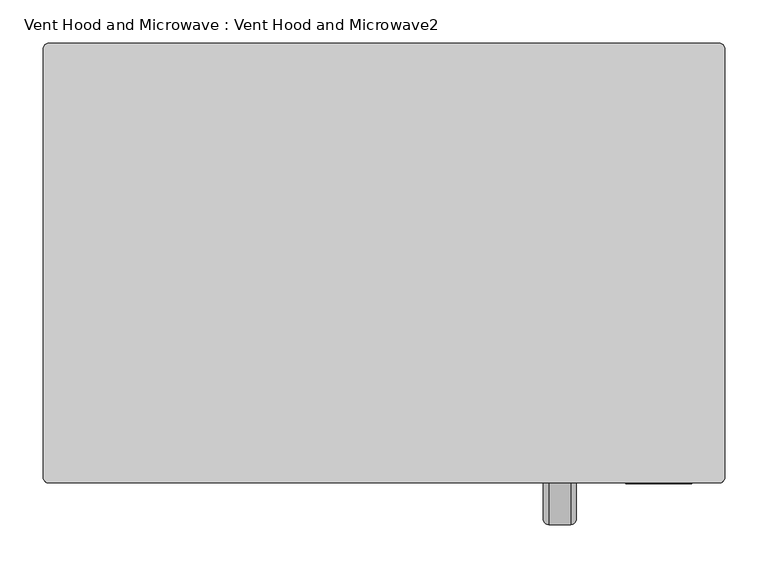
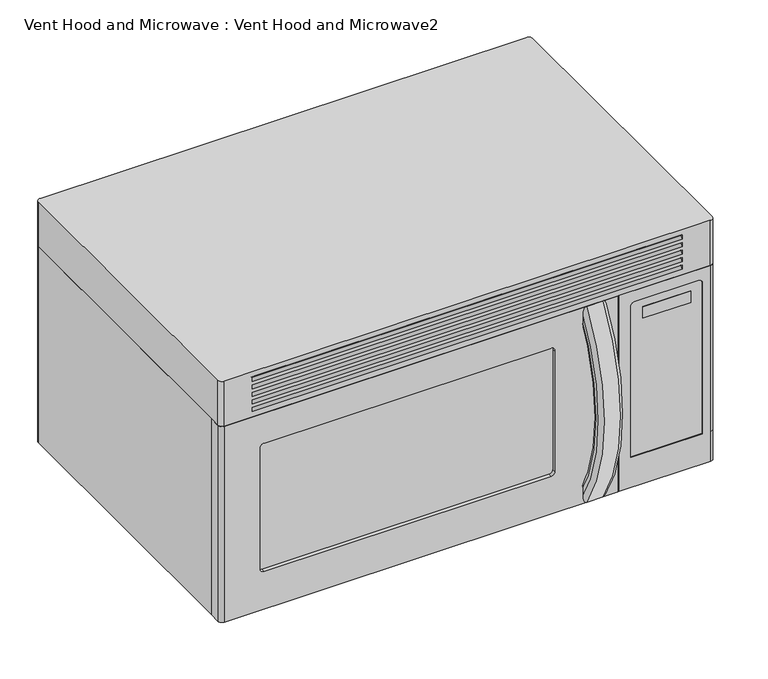
"""IFC4 building model written with IfcOpenShell, lengths in millimetres: proxy geometry, Vent Hood and Microwave : Vent Hood and Microwave2."""

from ifc_helpers import new_model, si_unit, point, frame, origin, place, context, project, spatial, polyline, circle_curve, ellipse_curve, trimmed, outline, extrude, source, transform, mapped, element, save
from ifc_brep_helpers import plane_surface, cylinder_surface, revolved_surface, advanced_brep


def vent_hood_and_microwave_vent_hood_and_microwave2_08c4f735(model_context):
    return source(origin(), model_context, "Body", "SolidModel", [
        extrude(outline(polyline([(52.3788287, -76.2226698), (280.9788287, -76.2226698), (280.9788287, -266.7226698), (52.3788287, -266.7226698), (52.3788287, -76.2226698)])), frame((0.0, 0.0, -1.5875), z_axis=(0.0, 0.0, 1.0), x_axis=(1.0, 0.0, 0.0)), (0.0, 0.0, 1.0), 1.5875),
        extrude(outline(polyline([(46.0288287, -69.8726698), (287.3288287, -69.8726698), (287.3288287, -273.0726698), (46.0288287, -273.0726698), (46.0288287, -69.8726698)]), holes=[polyline([(52.3788287, -76.2226698), (52.3788287, -266.7226698), (280.9788287, -266.7226698), (280.9788287, -76.2226698), (52.3788287, -76.2226698)])]), frame((0.0, 0.0, -3.175), z_axis=(0.0, 0.0, 1.0), x_axis=(1.0, 0.0, 0.0)), (0.0, 0.0, 1.0), 3.175),
        extrude(outline(polyline([(-112.7211713, -76.2226698), (-112.7211713, -266.7226698), (-341.3211713, -266.7226698), (-341.3211713, -76.2226698), (-112.7211713, -76.2226698)])), frame((0.0, 0.0, -1.5875), z_axis=(0.0, 0.0, 1.0), x_axis=(1.0, 0.0, 0.0)), (0.0, 0.0, 1.0), 1.5875),
        extrude(outline(polyline([(-119.0711713, -69.8726698), (-119.0711713, -273.0726698), (-347.6711713, -273.0726698), (-347.6711713, -69.8726698), (-119.0711713, -69.8726698)]), holes=[polyline([(-125.4211713, -76.2226698), (-341.3211713, -76.2226698), (-341.3211713, -266.7226698), (-125.4211713, -266.7226698), (-125.4211713, -76.2226698)])]), frame((0.0, 0.0, -3.175), z_axis=(0.0, 0.0, 1.0), x_axis=(1.0, 0.0, 0.0)), (0.0, 0.0, 1.0), 3.175),
        advanced_brep(
        [(185.7288287, -409.3940669, 319.9832967), (160.3288287, -409.3940669, 319.9832967), (153.9788287, -414.7536012, 323.3888645), (153.9788287, -420.1131355, 326.7944322), (160.3288287, -425.4726698, 330.2), (185.7288287, -425.4726698, 330.2), (192.0788287, -420.1131355, 326.7944322), (192.0788287, -414.7536012, 323.3888645), (185.7288287, -409.3940669, 10.2167033), (192.0788287, -414.7536012, 6.8111355), (192.0788287, -420.1131355, 3.4055678), (185.7288287, -425.4726698, 0.0), (160.3288287, -425.4726698, 0.0), (153.9788287, -420.1131355, 3.4055678), (153.9788287, -414.7536012, 6.8111355), (160.3288287, -409.3940669, 10.2167033)],
        [
            (0, 1),
            (1, 2, circle_curve(frame((160.3288287, -414.7536012, 323.3888645), z_axis=(0.0, 0.5363098851818515, 0.8440211532042483), x_axis=(-1.0, 0.0, 0.0)), 6.35)),
            (2, 3),
            (3, 4, circle_curve(frame((160.3288287, -420.1131355, 326.7944322), z_axis=(0.0, 0.5363098851818515, 0.8440211532042483), x_axis=(-1.0, 0.0, 0.0)), 6.35)),
            (4, 5),
            (5, 6, circle_curve(frame((185.7288287, -420.1131355, 326.7944322), z_axis=(0.0, 0.5363098851818515, 0.8440211532042483), x_axis=(-1.0, 0.0, 0.0)), 6.35)),
            (6, 7),
            (7, 0, circle_curve(frame((185.7288287, -414.7536012, 323.3888645), z_axis=(0.0, 0.5363098851818515, 0.8440211532042483), x_axis=(-1.0, 0.0, 0.0)), 6.35)),
            (8, 9, circle_curve(frame((185.7288287, -414.7536012, 6.8111355), z_axis=(0.0, 0.5363098851818809, -0.8440211532042295), x_axis=(-1.0, 0.0, 0.0)), 6.35)),
            (9, 10),
            (10, 11, circle_curve(frame((185.7288287, -420.1131355, 3.4055678), z_axis=(0.0, 0.5363098851818809, -0.8440211532042295), x_axis=(-1.0, 0.0, 0.0)), 6.35)),
            (11, 12),
            (12, 13, circle_curve(frame((160.3288287, -420.1131355, 3.4055678), z_axis=(0.0, 0.5363098851818809, -0.8440211532042295), x_axis=(-1.0, 0.0, 0.0)), 6.35)),
            (13, 14),
            (14, 15, circle_curve(frame((160.3288287, -414.7536012, 6.8111355), z_axis=(0.0, 0.5363098851818809, -0.8440211532042295), x_axis=(-1.0, 0.0, 0.0)), 6.35)),
            (15, 8),
            (15, 1, circle_curve(frame((160.3288287, -165.6454762, 165.1), z_axis=(-1.0, 0.0, 0.0), x_axis=(0.0, -0.8440211532042483, 0.5363098851818515)), 288.7944097)),
            (0, 8, circle_curve(frame((185.7288287, -165.6454762, 165.1), z_axis=(1.0, 0.0, 0.0), x_axis=(0.0, -0.8440211532042483, 0.5363098851818515)), 288.7944097)),
            (14, 2, circle_curve(frame((153.9788287, -165.6454762, 165.1), z_axis=(-1.0, 0.0, 0.0), x_axis=(0.0, -0.8440211532042483, 0.5363098851818515)), 295.1444097)),
            (13, 3, circle_curve(frame((153.9788287, -165.6454762, 165.1), z_axis=(-1.0, 0.0, 0.0), x_axis=(0.0, -0.8440211532042483, 0.5363098851818515)), 301.4944097)),
            (12, 4, circle_curve(frame((160.3288287, -165.6454762, 165.1), z_axis=(-1.0, 0.0, 0.0), x_axis=(0.0, -0.8440211532042483, 0.5363098851818515)), 307.8444097)),
            (11, 5, circle_curve(frame((185.7288287, -165.6454762, 165.1), z_axis=(-1.0, 0.0, 0.0), x_axis=(0.0, -0.8440211532042483, 0.5363098851818515)), 307.8444097)),
            (10, 6, circle_curve(frame((192.0788287, -165.6454762, 165.1), z_axis=(-1.0, 0.0, 0.0), x_axis=(0.0, -0.8440211532042483, 0.5363098851818515)), 301.4944097)),
            (9, 7, circle_curve(frame((192.0788287, -165.6454762, 165.1), z_axis=(-1.0, 0.0, 0.0), x_axis=(0.0, -0.8440211532042483, 0.5363098851818515)), 295.1444097)),
        ],
        [
            plane_surface(frame((173.0288287, -425.4726698, 330.2), z_axis=(0.0, 0.5363098851818515, 0.8440211532042483), x_axis=(-1.0, 0.0, 0.0))),
            plane_surface(frame((173.0288287, -425.4726698, 0.0), z_axis=(0.0, 0.5363098851818812, -0.8440211532042295), x_axis=(-1.0, 0.0, 0.0))),
            revolved_surface(polyline([(185.7288287, -409.3940669139341, 319.9832967073676), (160.3288287, -409.3940669139341, 319.9832967073676)]), (173.0288287, -165.6454762, 165.1), (1.0, 0.0, 0.0)),
            revolved_surface(trimmed(ellipse_curve(frame((160.3288287, -414.7536012, 323.3888645), z_axis=(0.0, 0.5363098851818515, 0.8440211532042483), x_axis=(-1.0, 0.0, 0.0)), 6.35, 6.35), [point((160.3288287, -409.3940669, 319.9832967))], [point((153.9788287, -414.7536012, 323.3888645))], True, "CARTESIAN"), (173.0288287, -165.6454762, 165.1), (1.0, 0.0, 0.0)),
            plane_surface(frame((153.9788287, -165.6454762, 165.1), z_axis=(-1.0, 0.0, 0.0), x_axis=(0.0, -0.8440211532042483, 0.5363098851818515))),
            revolved_surface(trimmed(ellipse_curve(frame((160.3288287, -420.1131355, 326.7944322), z_axis=(0.0, 0.5363098851818515, 0.8440211532042483), x_axis=(-1.0, 0.0, 0.0)), 6.35, 6.35), [point((153.9788287, -420.1131355, 326.7944322))], [point((160.3288287, -425.4726698, 330.2))], True, "CARTESIAN"), (173.0288287, -165.6454762, 165.1), (1.0, 0.0, 0.0)),
            cylinder_surface(frame((173.0288287, -165.6454762, 165.1), z_axis=(1.0, 0.0, 0.0), x_axis=(0.0, -0.8440211532042483, 0.5363098851818515)), 307.8444097),
            revolved_surface(trimmed(ellipse_curve(frame((185.7288287, -420.1131355, 326.7944322), z_axis=(0.0, 0.5363098851818515, 0.8440211532042483), x_axis=(-1.0, 0.0, 0.0)), 6.35, 6.35), [point((185.7288287, -425.4726698, 330.2))], [point((192.0788287, -420.1131355, 326.7944322))], True, "CARTESIAN"), (173.0288287, -165.6454762, 165.1), (1.0, 0.0, 0.0)),
            plane_surface(frame((192.0788287, -165.6454762, 165.1), z_axis=(1.0, 0.0, 0.0), x_axis=(0.0, -0.8440211532042483, 0.5363098851818515))),
            revolved_surface(trimmed(ellipse_curve(frame((185.7288287, -414.7536012, 323.3888645), z_axis=(0.0, 0.5363098851818515, 0.8440211532042483), x_axis=(-1.0, 0.0, 0.0)), 6.35, 6.35), [point((192.0788287, -414.7536012, 323.3888645))], [point((185.7288287, -409.3940669, 319.9832967))], True, "CARTESIAN"), (173.0288287, -165.6454762, 165.1), (1.0, 0.0, 0.0)),
        ],
        [
            (0, [[1, 2, 3, 4, 5, 6, 7, 8]]),
            (1, [[9, 10, 11, 12, 13, 14, 15, 16]]),
            (2, [[17, -1, 18, -16]]),
            (3, [[19, -2, -17, -15]]),
            (4, [[20, -3, -19, -14]]),
            (5, [[21, -4, -20, -13]]),
            (6, [[22, -5, -21, -12]]),
            (7, [[23, -6, -22, -11]]),
            (8, [[24, -7, -23, -10]]),
            (9, [[-18, -8, -24, -9]]),
        ],
    ),
        extrude(outline(polyline([(122.2288287, -419.1226698), (-373.0711713, -419.1226698), (-373.0711713, -415.9476698), (122.2288287, -415.9476698), (122.2288287, -419.1226698)])), frame((0.0, 0.0, 50.8), z_axis=(0.0, 0.0, 1.0), x_axis=(1.0, 0.0, 0.0)), (0.0, 0.0, 1.0), 241.3),
        advanced_brep(
        [(209.5413287, -401.6601698, 330.2), (-423.8711713, -401.6601698, 330.2), (-423.8711713, -419.1226698, 330.2), (-417.5211713, -425.4726698, 330.2), (209.5413287, -425.4726698, 330.2), (209.5413287, -401.6601698, 0.0), (209.5413287, -425.4726698, 0.0), (-417.5211713, -425.4726698, 0.0), (-423.8711713, -419.1226698, 0.0), (-423.8711713, -401.6601698, 0.0), (109.5288287, -401.6601698, 69.85), (109.5288287, -401.6601698, 273.05), (103.1788287, -401.6601698, 279.4), (-354.0211713, -401.6601698, 279.4), (-360.3711713, -401.6601698, 273.05), (-360.3711713, -401.6601698, 69.85), (-354.0211713, -401.6601698, 63.5), (103.1788287, -401.6601698, 63.5), (109.5288287, -425.4726698, 273.05), (109.5288287, -425.4726698, 69.85), (103.1788287, -425.4726698, 63.5), (-354.0211713, -425.4726698, 63.5), (-360.3711713, -425.4726698, 69.85), (-360.3711713, -425.4726698, 273.05), (-354.0211713, -425.4726698, 279.4), (103.1788287, -425.4726698, 279.4)],
        [
            (0, 1),
            (1, 2),
            (2, 3, circle_curve(frame((-417.5211713, -419.1226698, 330.2), z_axis=(0.0, 0.0, 1.0), x_axis=(1.0, 0.0, 0.0)), 6.35)),
            (3, 4),
            (4, 0),
            (5, 6),
            (6, 7),
            (7, 8, circle_curve(frame((-417.5211713, -419.1226698, 0.0), z_axis=(0.0, 0.0, -1.0), x_axis=(1.0, 0.0, 0.0)), 6.35)),
            (8, 9),
            (9, 5),
            (0, 5),
            (9, 1),
            (10, 11),
            (11, 12, circle_curve(frame((103.1788287, -401.6601698, 273.05), z_axis=(0.0, -1.0, 0.0), x_axis=(0.0, 0.0, 1.0)), 6.35)),
            (12, 13),
            (13, 14, circle_curve(frame((-354.0211713, -401.6601698, 273.05), z_axis=(0.0, -1.0, 0.0), x_axis=(0.0, 0.0, 1.0)), 6.35)),
            (14, 15),
            (15, 16, circle_curve(frame((-354.0211713, -401.6601698, 69.85), z_axis=(0.0, -1.0, 0.0), x_axis=(0.0, 0.0, 1.0)), 6.35)),
            (16, 17),
            (17, 10, circle_curve(frame((103.1788287, -401.6601698, 69.85), z_axis=(0.0, -1.0, 0.0), x_axis=(0.0, 0.0, 1.0)), 6.35)),
            (8, 2),
            (7, 3),
            (6, 4),
            (18, 19),
            (19, 20, circle_curve(frame((103.1788287, -425.4726698, 69.85), z_axis=(0.0, 1.0, 0.0), x_axis=(0.0, 0.0, 1.0)), 6.35)),
            (20, 21),
            (21, 22, circle_curve(frame((-354.0211713, -425.4726698, 69.85), z_axis=(0.0, 1.0, 0.0), x_axis=(0.0, 0.0, 1.0)), 6.35)),
            (22, 23),
            (23, 24, circle_curve(frame((-354.0211713, -425.4726698, 273.05), z_axis=(0.0, 1.0, 0.0), x_axis=(0.0, 0.0, 1.0)), 6.35)),
            (24, 25),
            (25, 18, circle_curve(frame((103.1788287, -425.4726698, 273.05), z_axis=(0.0, 1.0, 0.0), x_axis=(0.0, 0.0, 1.0)), 6.35)),
            (11, 18),
            (25, 12),
            (10, 19),
            (17, 20),
            (16, 21),
            (15, 22),
            (14, 23),
            (13, 24),
        ],
        [
            plane_surface(frame((-423.8711713, -401.6601698, 330.2), z_axis=(0.0, 0.0, 1.0), x_axis=(-1.0, 0.0, 0.0))),
            plane_surface(frame((-423.8711713, -401.6601698, 0.0), z_axis=(0.0, 0.0, -1.0), x_axis=(1.0, 0.0, 0.0))),
            plane_surface(frame((209.5413287, -401.6601698, 330.2), z_axis=(0.0, 1.0, 0.0), x_axis=(0.0, 0.0, -1.0))),
            plane_surface(frame((-423.8711713, -401.6601698, 330.2), z_axis=(-1.0, 0.0, 0.0), x_axis=(0.0, 0.0, -1.0))),
            cylinder_surface(frame((-417.5211713, -419.1226698, 0.0), z_axis=(0.0, 0.0, 1.0), x_axis=(1.0, 0.0, 0.0)), 6.35),
            plane_surface(frame((-417.5211713, -425.4726698, 330.2), z_axis=(0.0, -1.0, 0.0), x_axis=(0.0, 0.0, -1.0))),
            plane_surface(frame((209.5413287, -425.4726698, 330.2), z_axis=(1.0, 0.0, 0.0), x_axis=(0.0, 0.0, -1.0))),
            revolved_surface(polyline([(103.1788287, -401.6601698, 279.40000000000003), (103.1788287, -425.4726698, 279.40000000000003)]), (103.1788287, -425.4726698, 273.05), (0.0, 1.0, 0.0)),
            plane_surface(frame((109.5288287, -374.6726698, 273.05), z_axis=(-1.0, 0.0, 0.0), x_axis=(0.0, -1.0, 0.0))),
            revolved_surface(polyline([(103.1788287, -401.6601698, 76.19999999999999), (103.1788287, -425.4726698, 76.19999999999999)]), (103.1788287, -425.4726698, 69.85), (0.0, 1.0, 0.0)),
            plane_surface(frame((103.1788287, -374.6726698, 63.5), z_axis=(0.0, 0.0, 1.0), x_axis=(0.0, -1.0, 0.0))),
            revolved_surface(polyline([(-354.0211713, -401.6601698, 76.19999999999999), (-354.0211713, -425.4726698, 76.19999999999999)]), (-354.0211713, -425.4726698, 69.85), (0.0, 1.0, 0.0)),
            plane_surface(frame((-360.3711713, -374.6726698, 69.85), z_axis=(1.0, 0.0, 0.0), x_axis=(0.0, -1.0, 0.0))),
            revolved_surface(polyline([(-354.0211713, -401.6601698, 279.40000000000003), (-354.0211713, -425.4726698, 279.40000000000003)]), (-354.0211713, -425.4726698, 273.05), (0.0, 1.0, 0.0)),
            plane_surface(frame((-354.0211713, -374.6726698, 279.4), z_axis=(0.0, 0.0, -1.0), x_axis=(0.0, -1.0, 0.0))),
        ],
        [
            (0, [[1, 2, 3, 4, 5]]),
            (1, [[6, 7, 8, 9, 10]]),
            (2, [[-1, 11, -10, 12], [13, 14, 15, 16, 17, 18, 19, 20]]),
            (3, [[-2, -12, -9, 21]]),
            (4, [[-3, -21, -8, 22]]),
            (5, [[-4, -22, -7, 23], [24, 25, 26, 27, 28, 29, 30, 31]]),
            (6, [[-5, -23, -6, -11]]),
            (7, [[32, -31, 33, -14]]),
            (8, [[-32, -13, 34, -24]]),
            (9, [[35, -25, -34, -20]]),
            (10, [[-35, -19, 36, -26]]),
            (11, [[37, -27, -36, -18]]),
            (12, [[-37, -17, 38, -28]]),
            (13, [[39, -29, -38, -16]]),
            (14, [[-39, -15, -33, -30]]),
        ],
    ),
        extrude(outline(polyline([(325.4288287, -426.2664198), (249.2288287, -426.2664198), (249.2288287, -425.4726698), (325.4288287, -425.4726698), (325.4288287, -426.2664198)])), frame((0.0, 0.0, 279.413632), z_axis=(0.0, 0.0, 1.0), x_axis=(1.0, 0.0, 0.0)), (0.0, 0.0, 1.0), 19.05),
        advanced_brep(
        [(-423.8711713, 76.1773302, 330.2), (-423.8711713, -400.0726698, 330.2), (-398.4711713, -400.0726698, 330.2), (-398.4711713, 57.1273302, 330.2), (211.1288287, 57.1273302, 330.2), (211.1288287, -425.4726698, 330.2), (357.1788287, -425.4726698, 330.2), (363.5288287, -419.1226698, 330.2), (363.5288287, 76.1773302, 330.2), (357.1788287, 82.5273302, 330.2), (-417.5211713, 82.5273302, 330.2), (-423.8711713, 76.1773302, 50.8), (-423.8711713, 76.1773302, 0.0), (-423.8711713, -400.0726698, 0.0), (211.1288287, -400.0726698, 0.0), (211.1288287, -400.0726698, 50.8), (-398.4711713, -400.0726698, 50.8), (-398.4711713, 57.1273302, 50.8), (211.1288287, 57.1273302, 50.8), (211.1288287, -425.4726698, 0.0), (357.1788287, -425.4726698, 0.0), (357.1788287, -425.4726698, 50.8), (344.4788287, -425.4726698, 304.813632), (344.4788287, -425.4726698, 50.8), (230.1788287, -425.4726698, 50.8), (230.1788287, -425.4726698, 304.813632), (236.5288287, -425.4726698, 311.163632), (338.1288287, -425.4726698, 311.163632), (363.5288287, -419.1226698, 50.8), (363.5288287, -419.1226698, 0.0), (363.5288287, 76.1773302, 0.0), (363.5288287, 76.1773302, 50.8), (357.1788287, 82.5273302, 50.8), (357.1788287, 82.5273302, 0.0), (-417.5211713, 82.5273302, 0.0), (-417.5211713, 82.5273302, 50.8), (344.4788287, -423.8851698, 304.813632), (338.1288287, -423.8851698, 311.163632), (236.5288287, -423.8851698, 311.163632), (230.1788287, -423.8851698, 304.813632), (230.1788287, -423.8851698, 50.8), (344.4788287, -423.8851698, 50.8)],
        [
            (0, 1),
            (1, 2),
            (2, 3),
            (3, 4),
            (4, 5),
            (5, 6),
            (6, 7, circle_curve(frame((357.1788287, -419.1226698, 330.2), z_axis=(0.0, 0.0, 1.0), x_axis=(1.0, 0.0, 0.0)), 6.35)),
            (7, 8),
            (8, 9, circle_curve(frame((357.1788287, 76.1773302, 330.2), z_axis=(0.0, 0.0, 1.0), x_axis=(1.0, 0.0, 0.0)), 6.35)),
            (9, 10),
            (10, 0, circle_curve(frame((-417.5211713, 76.1773302, 330.2), z_axis=(0.0, 0.0, 1.0), x_axis=(1.0, 0.0, 0.0)), 6.35)),
            (0, 11),
            (11, 12),
            (12, 13),
            (13, 1),
            (13, 14),
            (14, 15),
            (15, 16),
            (16, 2),
            (16, 17),
            (17, 3),
            (17, 18),
            (18, 4),
            (18, 15),
            (14, 19),
            (19, 5),
            (19, 20),
            (20, 21),
            (21, 6),
            (22, 23),
            (23, 24),
            (24, 25),
            (25, 26, circle_curve(frame((236.5288287, -425.4726698, 304.813632), z_axis=(0.0, 1.0, 0.0), x_axis=(0.0, 0.0, 1.0)), 6.35)),
            (26, 27),
            (27, 22, circle_curve(frame((338.1288287, -425.4726698, 304.813632), z_axis=(0.0, 1.0, 0.0), x_axis=(0.0, 0.0, 1.0)), 6.35)),
            (21, 28, circle_curve(frame((357.1788287, -419.1226698, 50.8), z_axis=(0.0, 0.0, 1.0), x_axis=(1.0, 0.0, 0.0)), 6.35)),
            (28, 7),
            (28, 29),
            (29, 30),
            (30, 31),
            (31, 8),
            (31, 32, circle_curve(frame((357.1788287, 76.1773302, 50.8), z_axis=(0.0, 0.0, 1.0), x_axis=(1.0, 0.0, 0.0)), 6.35)),
            (32, 9),
            (32, 33),
            (33, 34),
            (34, 35),
            (35, 10),
            (35, 11, circle_curve(frame((-417.5211713, 76.1773302, 50.8), z_axis=(0.0, 0.0, 1.0), x_axis=(1.0, 0.0, 0.0)), 6.35)),
            (36, 37, circle_curve(frame((338.1288287, -423.8851698, 304.813632), z_axis=(0.0, -1.0, 0.0), x_axis=(0.0, 0.0, 1.0)), 6.35)),
            (37, 38),
            (38, 39, circle_curve(frame((236.5288287, -423.8851698, 304.813632), z_axis=(0.0, -1.0, 0.0), x_axis=(0.0, 0.0, 1.0)), 6.35)),
            (39, 40),
            (40, 41),
            (41, 36),
            (39, 25),
            (24, 40),
            (38, 26),
            (37, 27),
            (36, 22),
            (41, 23),
            (12, 34, circle_curve(frame((-417.5211713, 76.1773302, 0.0), z_axis=(0.0, 0.0, -1.0), x_axis=(1.0, 0.0, 0.0)), 6.35)),
            (33, 30, circle_curve(frame((357.1788287, 76.1773302, 0.0), z_axis=(0.0, 0.0, -1.0), x_axis=(1.0, 0.0, 0.0)), 6.35)),
            (29, 20, circle_curve(frame((357.1788287, -419.1226698, 0.0), z_axis=(0.0, 0.0, -1.0), x_axis=(1.0, 0.0, 0.0)), 6.35)),
        ],
        [
            plane_surface(frame((-423.8711713, -400.0726698, 330.2), z_axis=(0.0, 0.0, 1.0), x_axis=(0.0, -1.0, 0.0))),
            plane_surface(frame((-423.8711713, 76.1773302, 330.2), z_axis=(-1.0, 0.0, 0.0), x_axis=(0.0, 0.0, -1.0))),
            plane_surface(frame((-423.8711713, -400.0726698, 330.2), z_axis=(0.0, -1.0, 0.0), x_axis=(0.0, 0.0, -1.0))),
            plane_surface(frame((-398.4711713, -400.0726698, 330.2), z_axis=(1.0, 0.0, 0.0), x_axis=(0.0, 0.0, -1.0))),
            plane_surface(frame((-398.4711713, 57.1273302, 330.2), z_axis=(0.0, -1.0, 0.0), x_axis=(0.0, 0.0, -1.0))),
            plane_surface(frame((211.1288287, 57.1273302, 330.2), z_axis=(-1.0, 0.0, 0.0), x_axis=(0.0, 0.0, -1.0))),
            plane_surface(frame((211.1288287, -425.4726698, 330.2), z_axis=(0.0, -1.0, 0.0), x_axis=(0.0, 0.0, -1.0))),
            cylinder_surface(frame((357.1788287, -419.1226698, 50.8), z_axis=(0.0, 0.0, 1.0), x_axis=(1.0, 0.0, 0.0)), 6.35),
            plane_surface(frame((363.5288287, -419.1226698, 330.2), z_axis=(1.0, 0.0, 0.0), x_axis=(0.0, 0.0, -1.0))),
            cylinder_surface(frame((357.1788287, 76.1773302, 50.8), z_axis=(0.0, 0.0, 1.0), x_axis=(1.0, 0.0, 0.0)), 6.35),
            plane_surface(frame((357.1788287, 82.5273302, 330.2), z_axis=(0.0, 1.0, 0.0), x_axis=(0.0, 0.0, -1.0))),
            cylinder_surface(frame((-417.5211713, 76.1773302, 50.8), z_axis=(0.0, 0.0, 1.0), x_axis=(1.0, 0.0, 0.0)), 6.35),
            plane_surface(frame((236.5288287, -423.8851698, 19.063632), z_axis=(0.0, -1.0, 0.0), x_axis=(-1.0, 0.0, 0.0))),
            plane_surface(frame((230.1788287, -423.8851698, 25.413632), z_axis=(1.0, 0.0, 0.0), x_axis=(0.0, -1.0, 0.0))),
            revolved_surface(polyline([(236.5288287, -423.8851698, 311.163632), (236.5288287, -425.4726698, 311.163632)]), (236.5288287, -425.4726698, 304.813632), (0.0, 1.0, 0.0)),
            plane_surface(frame((236.5288287, -423.8851698, 311.163632), z_axis=(0.0, 0.0, -1.0), x_axis=(0.0, -1.0, 0.0))),
            revolved_surface(polyline([(338.1288287, -423.8851698, 311.163632), (338.1288287, -425.4726698, 311.163632)]), (338.1288287, -425.4726698, 304.813632), (0.0, 1.0, 0.0)),
            plane_surface(frame((344.4788287, -423.8851698, 304.813632), z_axis=(-1.0, 0.0, 0.0), x_axis=(0.0, -1.0, 0.0))),
            plane_surface(frame((-423.8711713, -400.0726698, 50.8), z_axis=(0.0, 0.0, 1.0), x_axis=(0.0, -1.0, 0.0))),
            plane_surface(frame((-423.8711713, -400.0726698, 0.0), z_axis=(0.0, 0.0, -1.0), x_axis=(0.0, 1.0, 0.0))),
            cylinder_surface(frame((357.1788287, -419.1226698, 0.0), z_axis=(0.0, 0.0, 1.0), x_axis=(1.0, 0.0, 0.0)), 6.35),
            cylinder_surface(frame((357.1788287, 76.1773302, 0.0), z_axis=(0.0, 0.0, 1.0), x_axis=(1.0, 0.0, 0.0)), 6.35),
            cylinder_surface(frame((-417.5211713, 76.1773302, 0.0), z_axis=(0.0, 0.0, 1.0), x_axis=(1.0, 0.0, 0.0)), 6.35),
        ],
        [
            (0, [[1, 2, 3, 4, 5, 6, 7, 8, 9, 10, 11]]),
            (1, [[-1, 12, 13, 14, 15]]),
            (2, [[-2, -15, 16, 17, 18, 19]]),
            (3, [[-3, -19, 20, 21]]),
            (4, [[-4, -21, 22, 23]]),
            (5, [[-5, -23, 24, -17, 25, 26]]),
            (6, [[-6, -26, 27, 28, 29], [30, 31, 32, 33, 34, 35]]),
            (7, [[-7, -29, 36, 37]]),
            (8, [[-8, -37, 38, 39, 40, 41]]),
            (9, [[-9, -41, 42, 43]]),
            (10, [[-10, -43, 44, 45, 46, 47]]),
            (11, [[-11, -47, 48, -12]]),
            (12, [[49, 50, 51, 52, 53, 54]]),
            (13, [[55, -32, 56, -52]]),
            (14, [[-51, 57, -33, -55]]),
            (15, [[-50, 58, -34, -57]]),
            (16, [[-49, 59, -35, -58]]),
            (17, [[-59, -54, 60, -30]]),
            (18, [[-31, -60, -53, -56]]),
            (18, [[-18, -24, -22, -20]]),
            (19, [[61, -45, 62, -39, 63, -27, -25, -16, -14]]),
            (20, [[-63, -38, -36, -28]]),
            (21, [[-62, -44, -42, -40]]),
            (22, [[-61, -13, -48, -46]]),
        ],
    ),
        advanced_brep(
        [(357.1788287, 82.5273302, 330.2), (363.5288287, 76.1773302, 330.2), (363.5288287, -419.1226698, 330.2), (357.1788287, -425.4726698, 330.2), (-417.5211713, -425.4726698, 330.2), (-423.8711713, -419.1226698, 330.2), (-423.8711713, 76.1773302, 330.2), (-417.5211713, 82.5273302, 330.2), (357.1788287, 82.5273302, 406.4), (-417.5211713, 82.5273302, 406.4), (-423.8711713, 76.1773302, 406.4), (-423.8711713, -419.1226698, 406.4), (-417.5211713, -425.4726698, 406.4), (357.1788287, -425.4726698, 406.4), (363.5288287, -419.1226698, 406.4), (363.5288287, 76.1773302, 406.4), (-373.0711713, -425.4726698, 390.4959324), (-373.0711713, -425.4726698, 396.9040676), (312.7288287, -425.4726698, 396.9040676), (312.7288287, -425.4726698, 390.4959324), (-373.0711713, -425.4726698, 365.125), (-373.0711713, -425.4726698, 371.475), (312.7288287, -425.4726698, 371.475), (312.7288287, -425.4726698, 365.125), (-373.0711713, -425.4726698, 377.825), (-373.0711713, -425.4726698, 384.175), (312.7288287, -425.4726698, 384.175), (312.7288287, -425.4726698, 377.825), (-373.0711713, -425.4726698, 339.725), (-373.0711713, -425.4726698, 346.075), (312.7288287, -425.4726698, 346.075), (312.7288287, -425.4726698, 339.725), (-373.0711713, -425.4726698, 352.425), (-373.0711713, -425.4726698, 358.775), (312.7288287, -425.4726698, 358.775), (312.7288287, -425.4726698, 352.425)],
        [
            (0, 1, circle_curve(frame((357.1788287, 76.1773302, 330.2), z_axis=(0.0, 0.0, -1.0), x_axis=(0.0, -1.0, 0.0)), 6.35)),
            (1, 2),
            (2, 3, circle_curve(frame((357.1788287, -419.1226698, 330.2), z_axis=(0.0, 0.0, -1.0), x_axis=(0.0, -1.0, 0.0)), 6.35)),
            (3, 4),
            (4, 5, circle_curve(frame((-417.5211713, -419.1226698, 330.2), z_axis=(0.0, 0.0, -1.0), x_axis=(0.0, -1.0, 0.0)), 6.35)),
            (5, 6),
            (6, 7, circle_curve(frame((-417.5211713, 76.1773302, 330.2), z_axis=(0.0, 0.0, -1.0), x_axis=(0.0, -1.0, 0.0)), 6.35)),
            (7, 0),
            (8, 9),
            (9, 10, circle_curve(frame((-417.5211713, 76.1773302, 406.4), z_axis=(0.0, 0.0, 1.0), x_axis=(0.0, -1.0, 0.0)), 6.35)),
            (10, 11),
            (11, 12, circle_curve(frame((-417.5211713, -419.1226698, 406.4), z_axis=(0.0, 0.0, 1.0), x_axis=(0.0, -1.0, 0.0)), 6.35)),
            (12, 13),
            (13, 14, circle_curve(frame((357.1788287, -419.1226698, 406.4), z_axis=(0.0, 0.0, 1.0), x_axis=(0.0, -1.0, 0.0)), 6.35)),
            (14, 15),
            (15, 8, circle_curve(frame((357.1788287, 76.1773302, 406.4), z_axis=(0.0, 0.0, 1.0), x_axis=(0.0, -1.0, 0.0)), 6.35)),
            (0, 8),
            (15, 1),
            (14, 2),
            (13, 3),
            (12, 4),
            (16, 17),
            (17, 18),
            (18, 19),
            (19, 16),
            (20, 21),
            (21, 22),
            (22, 23),
            (23, 20),
            (24, 25),
            (25, 26),
            (26, 27),
            (27, 24),
            (28, 29),
            (29, 30),
            (30, 31),
            (31, 28),
            (32, 33),
            (33, 34),
            (34, 35),
            (35, 32),
            (11, 5),
            (10, 6),
            (9, 7),
            (16, 17, circle_curve(frame((-373.0711713, -425.4726698, 393.7), z_axis=(1.0, 0.0, 0.0), x_axis=(0.0, 0.0, 1.0)), 3.2040676)),
            (18, 19, circle_curve(frame((312.7288287, -425.4726698, 393.7), z_axis=(-1.0, 0.0, 0.0), x_axis=(0.0, 0.0, 1.0)), 3.2040676)),
            (24, 25, circle_curve(frame((-373.0711713, -425.4726698, 381.0), z_axis=(1.0, 0.0, 0.0), x_axis=(0.0, 0.0, 1.0)), 3.175)),
            (28, 29, circle_curve(frame((-373.0711713, -425.4726698, 342.9), z_axis=(1.0, 0.0, 0.0), x_axis=(0.0, 0.0, 1.0)), 3.175)),
            (32, 33, circle_curve(frame((-373.0711713, -425.4726698, 355.6), z_axis=(1.0, 0.0, 0.0), x_axis=(0.0, 0.0, 1.0)), 3.175)),
            (20, 21, circle_curve(frame((-373.0711713, -425.4726698, 368.3), z_axis=(1.0, 0.0, 0.0), x_axis=(0.0, 0.0, 1.0)), 3.175)),
            (22, 23, circle_curve(frame((312.7288287, -425.4726698, 368.3), z_axis=(-1.0, 0.0, 0.0), x_axis=(0.0, 0.0, 1.0)), 3.175)),
            (34, 35, circle_curve(frame((312.7288287, -425.4726698, 355.6), z_axis=(-1.0, 0.0, 0.0), x_axis=(0.0, 0.0, 1.0)), 3.175)),
            (30, 31, circle_curve(frame((312.7288287, -425.4726698, 342.9), z_axis=(-1.0, 0.0, 0.0), x_axis=(0.0, 0.0, 1.0)), 3.175)),
            (26, 27, circle_curve(frame((312.7288287, -425.4726698, 381.0), z_axis=(-1.0, 0.0, 0.0), x_axis=(0.0, 0.0, 1.0)), 3.175)),
        ],
        [
            plane_surface(frame((357.1788287, 69.8273302, 330.2), z_axis=(0.0, 0.0, -1.0), x_axis=(-1.0, 0.0, 0.0))),
            plane_surface(frame((357.1788287, 69.8273302, 406.4), z_axis=(0.0, 0.0, 1.0), x_axis=(1.0, 0.0, 0.0))),
            cylinder_surface(frame((357.1788287, 76.1773302, 406.4), z_axis=(0.0, 0.0, -1.0), x_axis=(0.0, -1.0, 0.0)), 6.35),
            plane_surface(frame((363.5288287, 76.1773302, 330.2), z_axis=(1.0, 0.0, 0.0), x_axis=(0.0, 0.0, 1.0))),
            cylinder_surface(frame((357.1788287, -419.1226698, 406.4), z_axis=(0.0, 0.0, -1.0), x_axis=(0.0, -1.0, 0.0)), 6.35),
            plane_surface(frame((357.1788287, -425.4726698, 330.2), z_axis=(0.0, -1.0, 0.0), x_axis=(0.0, 0.0, 1.0))),
            cylinder_surface(frame((-417.5211713, -419.1226698, 406.4), z_axis=(0.0, 0.0, -1.0), x_axis=(0.0, -1.0, 0.0)), 6.35),
            plane_surface(frame((-423.8711713, -419.1226698, 330.2), z_axis=(-1.0, 0.0, 0.0), x_axis=(0.0, 0.0, 1.0))),
            cylinder_surface(frame((-417.5211713, 76.1773302, 406.4), z_axis=(0.0, 0.0, -1.0), x_axis=(0.0, -1.0, 0.0)), 6.35),
            plane_surface(frame((-417.5211713, 82.5273302, 330.2), z_axis=(0.0, 1.0, 0.0), x_axis=(0.0, 0.0, 1.0))),
            plane_surface(frame((-373.0711713, -425.4726698, 393.7), z_axis=(1.0, 0.0, 0.0), x_axis=(0.0, -1.0, 0.0))),
            plane_surface(frame((312.7288287, -425.4726698, 393.7), z_axis=(-1.0, 0.0, 0.0), x_axis=(0.0, -1.0, 0.0))),
            revolved_surface(polyline([(-373.0711713, -425.4726698, 396.90406759999996), (312.72882869999995, -425.4726698, 396.90406759999996)]), (-373.0711713, -425.4726698, 393.7), (-1.0, 0.0, 0.0)),
            plane_surface(frame((-373.0711713, -425.4726698, 381.0), z_axis=(1.0, 0.0, 0.0), x_axis=(0.0, -1.0, 0.0))),
            plane_surface(frame((312.7288287, -425.4726698, 381.0), z_axis=(-1.0, 0.0, 0.0), x_axis=(0.0, -1.0, 0.0))),
            revolved_surface(polyline([(-373.0711713, -425.4726698, 371.475), (312.72882869999995, -425.4726698, 371.475)]), (-373.0711713, -425.4726698, 368.3), (-1.0, 0.0, 0.0)),
            revolved_surface(polyline([(-373.0711713, -425.4726698, 358.77500000000003), (312.72882869999995, -425.4726698, 358.77500000000003)]), (-373.0711713, -425.4726698, 355.6), (-1.0, 0.0, 0.0)),
            revolved_surface(polyline([(-373.0711713, -425.4726698, 346.075), (312.72882869999995, -425.4726698, 346.075)]), (-373.0711713, -425.4726698, 342.9), (-1.0, 0.0, 0.0)),
            revolved_surface(polyline([(-373.0711713, -425.4726698, 384.175), (312.72882869999995, -425.4726698, 384.175)]), (-373.0711713, -425.4726698, 381.0), (-1.0, 0.0, 0.0)),
        ],
        [
            (0, [[1, 2, 3, 4, 5, 6, 7, 8]]),
            (1, [[9, 10, 11, 12, 13, 14, 15, 16]]),
            (2, [[-1, 17, -16, 18]]),
            (3, [[-2, -18, -15, 19]]),
            (4, [[-3, -19, -14, 20]]),
            (5, [[-4, -20, -13, 21], [22, 23, 24, 25], [26, 27, 28, 29], [30, 31, 32, 33], [34, 35, 36, 37], [38, 39, 40, 41]]),
            (6, [[-5, -21, -12, 42]]),
            (7, [[-6, -42, -11, 43]]),
            (8, [[-7, -43, -10, 44]]),
            (9, [[-8, -44, -9, -17]]),
            (10, [[45, -22]]),
            (11, [[46, -24]]),
            (12, [[-45, -25, -46, -23]]),
            (13, [[47, -30]]),
            (13, [[48, -34]]),
            (13, [[49, -38]]),
            (13, [[50, -26]]),
            (14, [[51, -28]]),
            (14, [[52, -40]]),
            (14, [[53, -36]]),
            (14, [[54, -32]]),
            (15, [[-50, -29, -51, -27]]),
            (16, [[-49, -41, -52, -39]]),
            (17, [[-48, -37, -53, -35]]),
            (18, [[-47, -33, -54, -31]]),
        ],
    ),
    ])


if __name__ == "__main__":
    model = new_model("IFC4")
    model_context = context("Model", 3, world=origin())
    ifc_project = project(units=[si_unit("LENGTHUNIT", "METRE", prefix="MILLI")], contexts=[model_context])
    site = spatial("IfcSite", under=ifc_project)
    building = spatial("IfcBuilding", under=site)
    placement = place(None, origin())
    vent_hood_and_microwave_vent_hood_and_microwave2_shape = vent_hood_and_microwave_vent_hood_and_microwave2_08c4f735(model_context)
    element("IfcBuildingElementProxy", 1, Name="Vent Hood and Microwave : Vent Hood and Microwave2", ObjectType="Vent Hood and Microwave : Vent Hood and Microwave2", at=placement, inside=building, context=model_context, shape_type="MappedRepresentation", body=[
        mapped(vent_hood_and_microwave_vent_hood_and_microwave2_shape, transform((0.0, 0.0, 0.0), x_axis=(1.0, 0.0, 0.0), y_axis=(0.0, 1.0, 0.0), z_axis=(0.0, 0.0, 1.0))),
    ])
    save(model, "model.ifc")
